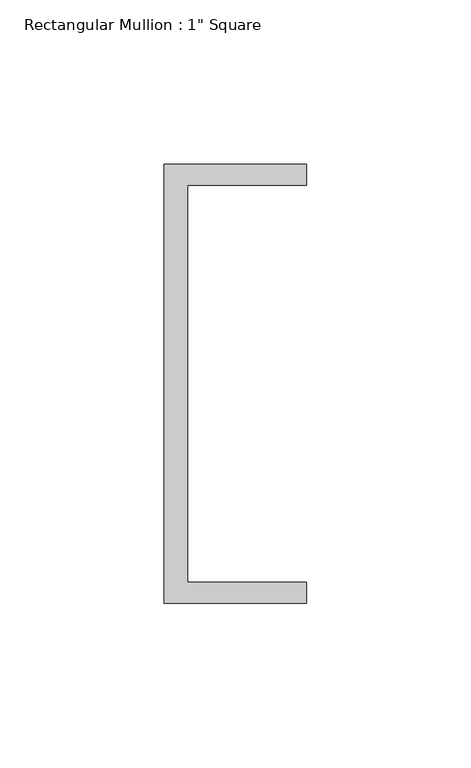
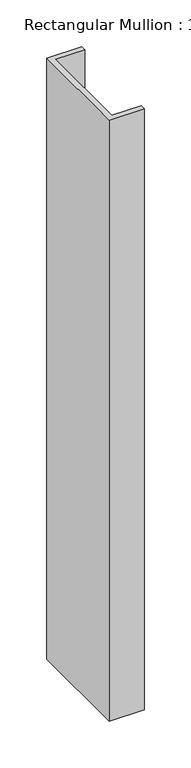
"""IFC4 building model written with IfcOpenShell, lengths in millimetres: member geometry."""

import ifcopenshell
import ifcopenshell.guid

model = None  # the IFC model being written
_history = None  # IfcOwnerHistory: only IFC2X3 demands one
_inside = {}  # id of a spatial element -> (the spatial element, [elements in it])
_under = {}  # id of a project, library or spatial element -> (it, [spatial elements below it])
_declared = {}  # id of a project -> (the project, [libraries it declares])
_typed = {}  # id of a type object -> (the type object, [elements of that type])
_made_of = {}  # id of a material, layer set ... -> (it, [elements and type objects made of it])


def new_model(schema):
    """Start an empty IFC model of exactly this schema.

    Asked for "IFC4X3", IfcOpenShell would pick the latest addendum, in which some entities
    have other attributes; the version numbers below select the first issue.
    IFC2X3 requires an IfcOwnerHistory on every rooted entity: one is made here for all.
    """
    global model, _history
    if schema == "IFC4X3":
        model = ifcopenshell.file(schema_version=(4, 3, 0, 0))
    else:
        model = ifcopenshell.file(schema=schema)
    _inside.clear()
    _under.clear()
    _declared.clear()
    _typed.clear()
    _made_of.clear()
    _history = None
    if model.schema == "IFC2X3":
        org = make("IfcOrganization", Name="unknown")
        user = make(
            "IfcPersonAndOrganization",
            ThePerson=make("IfcPerson", FamilyName="unknown"),
            TheOrganization=org,
        )
        app = make(
            "IfcApplication",
            ApplicationDeveloper=org,
            Version="unknown",
            ApplicationFullName="unknown",
            ApplicationIdentifier="unknown",
        )
        _history = make(
            "IfcOwnerHistory",
            OwningUser=user,
            OwningApplication=app,
            ChangeAction="ADDED",
            CreationDate=0,
        )
    return model


def make(cls, **values):
    """One entity of the class cls with the attributes given. An attribute that is None is left unset."""
    return model.create_entity(
        cls, **{name: value for name, value in values.items() if value is not None}
    )


def rooted(cls, **values):
    """An entity with a GlobalId (a new one), such as an element, a storey or a relation."""
    return make(cls, GlobalId=ifcopenshell.guid.new(), OwnerHistory=_history, **values)


def si_unit(unit_type, name, prefix=None):
    """IfcSIUnit, for example si_unit("LENGTHUNIT", "METRE", prefix="MILLI")."""
    return make("IfcSIUnit", UnitType=unit_type, Prefix=prefix, Name=name)


def assignment(units):
    """IfcUnitAssignment: the units of a project."""
    return None if units is None else make("IfcUnitAssignment", Units=units)


def point(xyz):
    """IfcCartesianPoint."""
    return None if xyz is None else make("IfcCartesianPoint", Coordinates=xyz)


def direction(xyz):
    """IfcDirection."""
    return None if xyz is None else make("IfcDirection", DirectionRatios=xyz)


def frame(location, z_axis=None, x_axis=None):
    """IfcAxis2Placement3D, a coordinate frame: its origin and axes. An axis left out is left unset."""
    return make(
        "IfcAxis2Placement3D",
        Location=point(location),
        Axis=direction(z_axis),
        RefDirection=direction(x_axis),
    )


def origin():
    """The frame at (0, 0, 0) with its axes left unset."""
    return frame((0.0, 0.0, 0.0))


def place(relative_to, where):
    """IfcLocalPlacement: puts the frame where relative to a parent placement (None: the world)."""
    return make(
        "IfcLocalPlacement", PlacementRelTo=relative_to, RelativePlacement=where
    )


def context(
    kind, dimensions, precision=None, world=None, true_north=None, identifier=None
):
    """IfcGeometricRepresentationContext, for example the 3D "Model" context."""
    return make(
        "IfcGeometricRepresentationContext",
        ContextIdentifier=identifier,
        ContextType=kind,
        CoordinateSpaceDimension=dimensions,
        Precision=precision,
        WorldCoordinateSystem=world,
        TrueNorth=true_north,
    )


def project(units=None, contexts=None):
    """IfcProject with its units and contexts."""
    return rooted(
        "IfcProject",
        Name="project",
        RepresentationContexts=contexts,
        UnitsInContext=assignment(units),
    )


def spatial(cls, under=None, at=None, **own):
    """A site, building, storey or space (cls), placed at a placement, below another one or the project."""
    s = rooted(cls, ObjectPlacement=at, **own)
    if under is not None:
        _under.setdefault(under.id(), (under, []))[1].append(s)
    return s


def polyline(points):
    """IfcPolyline through the points."""
    return make("IfcPolyline", Points=[point(p) for p in points])


def outline(outer, holes=None, kind="AREA"):
    """IfcArbitraryClosedProfileDef: a profile drawn as a closed curve; with holes, ...WithVoids."""
    if holes is None:
        return make("IfcArbitraryClosedProfileDef", ProfileType=kind, OuterCurve=outer)
    return make(
        "IfcArbitraryProfileDefWithVoids",
        ProfileType=kind,
        OuterCurve=outer,
        InnerCurves=holes,
    )


def extrude(swept, where, along, depth):
    """IfcExtrudedAreaSolid: the profile swept, set in the frame where, extruded along a direction by depth."""
    return make(
        "IfcExtrudedAreaSolid",
        SweptArea=swept,
        Position=where,
        ExtrudedDirection=direction(along),
        Depth=depth,
    )


def shape(context_of_items, identifier, shape_type, items):
    """IfcShapeRepresentation: the items that make up one representation, for example the "Body"."""
    return make(
        "IfcShapeRepresentation",
        ContextOfItems=context_of_items,
        RepresentationIdentifier=identifier,
        RepresentationType=shape_type,
        Items=items,
    )


def source(mapping_origin, context_of_items, identifier, shape_type, items):
    """IfcRepresentationMap: a shape defined once, which mapped items show again and again."""
    return make(
        "IfcRepresentationMap",
        MappingOrigin=mapping_origin,
        MappedRepresentation=shape(context_of_items, identifier, shape_type, items),
    )


def transform(
    local_origin,
    x_axis=None,
    y_axis=None,
    z_axis=None,
    scale=None,
    scale2=None,
    scale3=None,
    uniform=True,
):
    """IfcCartesianTransformationOperator3D, or its non-uniform kind. x_axis, y_axis, z_axis: its Axis1, 2, 3."""
    if uniform:
        return make(
            "IfcCartesianTransformationOperator3D",
            Axis1=direction(x_axis),
            Axis2=direction(y_axis),
            LocalOrigin=point(local_origin),
            Scale=scale,
            Axis3=direction(z_axis),
        )
    return make(
        "IfcCartesianTransformationOperator3DnonUniform",
        Axis1=direction(x_axis),
        Axis2=direction(y_axis),
        LocalOrigin=point(local_origin),
        Scale=scale,
        Axis3=direction(z_axis),
        Scale2=scale2,
        Scale3=scale3,
    )


def mapped(mapping_source, mapping_target):
    """IfcMappedItem: shows the shape of a source again, moved by a transform."""
    return make(
        "IfcMappedItem", MappingSource=mapping_source, MappingTarget=mapping_target
    )


def made_of(thing, what):
    """Note that an element or type object is made of a material, layer set ...; save() writes the relation."""
    if what is not None:
        _made_of.setdefault(what.id(), (what, []))[1].append(thing)
    return thing


def element(
    cls,
    number,
    at=None,
    inside=None,
    cuts=None,
    type_object=None,
    material=None,
    context=None,
    identifier="Body",
    shape_type=None,
    held_by="IfcProductDefinitionShape",
    body=None,
    shapes=None,
    **own,
):
    """One element of the class cls, such as IfcWall. Its Tag is "e" and its number.

    at: its placement. inside: the storey or other place that contains it. cuts: it is an
    opening in that element (IfcRelVoidsElement). A single representation is given by context,
    identifier, shape_type and body (its items); several are given by shapes. held_by: the class
    of the entity that holds the representations. save() writes the other relations.
    """
    e = rooted(cls, Tag="e%d" % number, ObjectPlacement=at, **own)
    if body is not None:
        shapes = [shape(context, identifier, shape_type, body)]
    if shapes is not None:
        e.Representation = make(held_by, Representations=shapes)
    if inside is not None:
        _inside.setdefault(inside.id(), (inside, []))[1].append(e)
    if cuts is not None:
        rooted(
            "IfcRelVoidsElement", RelatingBuildingElement=cuts, RelatedOpeningElement=e
        )
    if type_object is not None:
        _typed.setdefault(type_object.id(), (type_object, []))[1].append(e)
    return made_of(e, material)


def aggregate(whole, parts):
    """IfcRelAggregates: a whole, such as a stair, and the parts it consists of."""
    return rooted("IfcRelAggregates", RelatingObject=whole, RelatedObjects=parts)


def save(model, path):
    """Write the relations noted so far, then the file.

    IfcRelAggregates (storeys below a building ...), IfcRelContainedInSpatialStructure (elements
    in a storey), IfcRelDefinesByType, IfcRelAssociatesMaterial and IfcRelDeclares: one each for
    every whole, place, type object, material and project.
    """
    for whole, parts in _under.values():
        aggregate(whole, parts)
    for where, things in _inside.values():
        rooted(
            "IfcRelContainedInSpatialStructure",
            RelatedElements=things,
            RelatingStructure=where,
        )
    for kind, things in _typed.values():
        rooted("IfcRelDefinesByType", RelatedObjects=things, RelatingType=kind)
    for what, things in _made_of.values():
        rooted("IfcRelAssociatesMaterial", RelatedObjects=things, RelatingMaterial=what)
    for by, libraries in _declared.values():
        rooted("IfcRelDeclares", RelatingContext=by, RelatedDefinitions=libraries)
    model.write(path)


def member_fd221cd6(model_context):
    return source(origin(), model_context, "Body", "SweptSolid", [
        extrude(outline(polyline([(-18.6549463, 135.2608739), (24.5675083, 135.2608739), (24.5675083, 128.9108739), (-11.6110886, 128.9108739), (-11.6110886, 8.2608739), (24.5675083, 8.2608739), (24.5675083, 1.9108739), (-18.6549463, 1.9108739), (-18.6549463, 135.2608739)])), frame((0.0, 0.0, -785.0808009), z_axis=(0.0, 0.0, 1.0), x_axis=(1.0, 0.0, 0.0)), (0.0, 0.0, 1.0), 785.0808009),
    ])


if __name__ == "__main__":
    model = new_model("IFC4")
    model_context = context("Model", 3, world=origin())
    ifc_project = project(units=[si_unit("LENGTHUNIT", "METRE", prefix="MILLI")], contexts=[model_context])
    site = spatial("IfcSite", under=ifc_project)
    building = spatial("IfcBuilding", under=site)
    placement = place(None, origin())
    member_shape = member_fd221cd6(model_context)
    element("IfcMember", 1, ObjectType="Rectangular Mullion : 1\" Square", at=placement, inside=building, context=model_context, shape_type="MappedRepresentation", body=[
        mapped(member_shape, transform((0.0, 0.0, 0.0), x_axis=(1.0, 0.0, 0.0), y_axis=(0.0, 1.0, 0.0), z_axis=(0.0, 0.0, 1.0))),
    ])
    save(model, "model.ifc")
